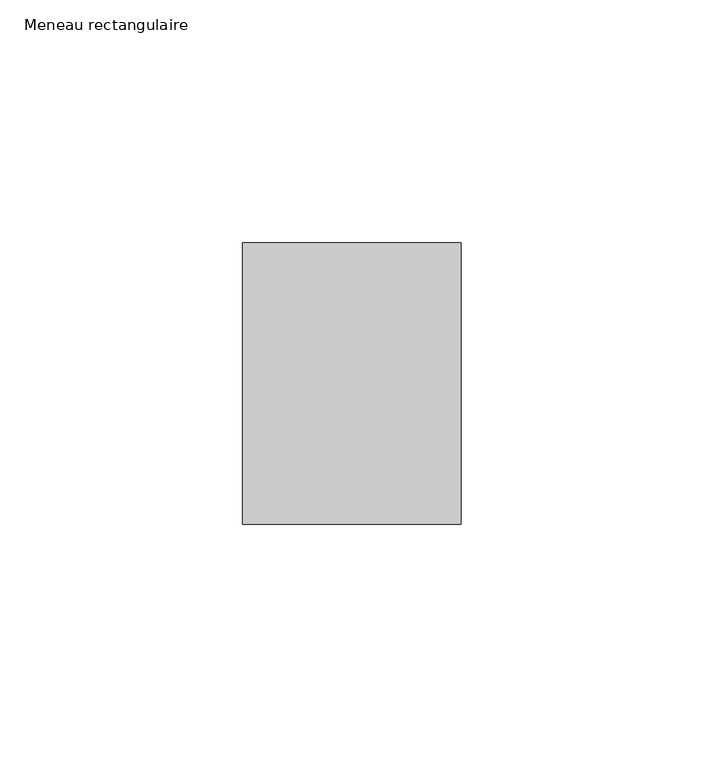
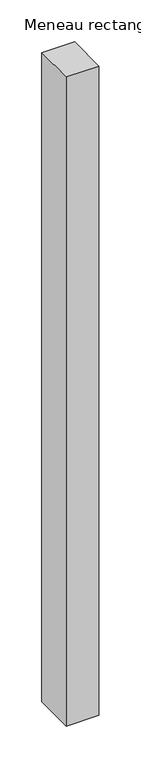
"""IFC4 building model written with IfcOpenShell, lengths in millimetres: member geometry, Meneau rectangulaire."""

from ifc_helpers import new_model, si_unit, frame, origin, place, context, project, spatial, polyline, outline, extrude, source, transform, mapped, element, save


def meneau_rectangulaire_7313c7a8(model_context):
    return source(origin(), model_context, "Body", "SweptSolid", [
        extrude(outline(polyline([(-45.0, 29.0), (0.0, 29.0), (0.0, -29.0), (-45.0, -29.0), (-45.0, 29.0)])), frame((0.0, 0.0, -945.1707158), z_axis=(0.0, 0.0, 1.0), x_axis=(1.0, 0.0, 0.0)), (0.0, 0.0, 1.0), 945.1707158),
    ])


if __name__ == "__main__":
    model = new_model("IFC4")
    model_context = context("Model", 3, world=origin())
    ifc_project = project(units=[si_unit("LENGTHUNIT", "METRE", prefix="MILLI")], contexts=[model_context])
    site = spatial("IfcSite", under=ifc_project)
    building = spatial("IfcBuilding", under=site)
    placement = place(None, origin())
    meneau_rectangulaire_shape = meneau_rectangulaire_7313c7a8(model_context)
    element("IfcMember", 1, ObjectType="Meneau rectangulaire", at=placement, inside=building, context=model_context, shape_type="MappedRepresentation", body=[
        mapped(meneau_rectangulaire_shape, transform((0.0, 0.0, 0.0), x_axis=(1.0, 0.0, 0.0), y_axis=(0.0, 1.0, 0.0), z_axis=(0.0, 0.0, 1.0))),
    ])
    save(model, "model.ifc")
